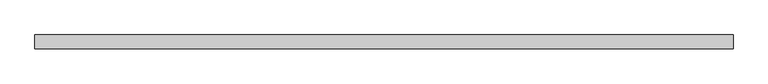
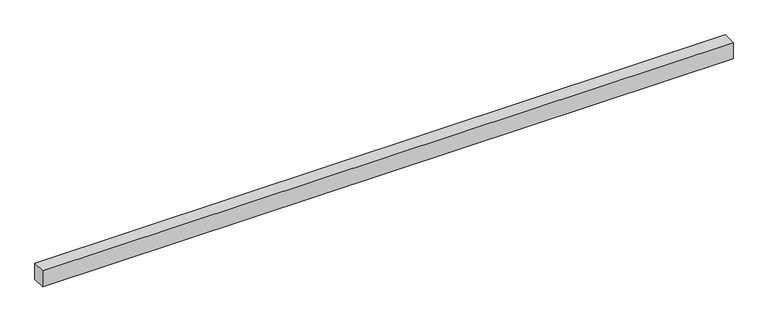
"""IFC4 building model written with IfcOpenShell, lengths in millimetres: proxy geometry."""

from ifc_helpers import new_model, si_unit, frame, origin, place, context, project, spatial, polyline, outline, extrude, source, transform, mapped, element, save


def generic_models_a6b1ccad(model_context):
    return source(origin(), model_context, "Body", "SweptSolid", [
        extrude(outline(polyline([(40.0, 0.0), (-40.0, 0.0), (-40.0, 4080.0), (40.0, 4080.0), (40.0, 0.0)])), frame((4080.0, 0.0, 0.0), z_axis=(0.0, -1.9783474858313244e-12, 1.0), x_axis=(0.0, 1.0, 1.9783474858313244e-12)), (0.0, 0.0, 1.0), 100.0),
    ])


if __name__ == "__main__":
    model = new_model("IFC4")
    model_context = context("Model", 3, world=origin())
    ifc_project = project(units=[si_unit("LENGTHUNIT", "METRE", prefix="MILLI")], contexts=[model_context])
    site = spatial("IfcSite", under=ifc_project)
    building = spatial("IfcBuilding", under=site)
    placement = place(None, origin())
    generic_models_shape = generic_models_a6b1ccad(model_context)
    element("IfcBuildingElementProxy", 1, Name="Generic Models", at=placement, inside=building, context=model_context, shape_type="MappedRepresentation", body=[
        mapped(generic_models_shape, transform((0.0, 0.0, 0.0), x_axis=(1.0, 0.0, 0.0), y_axis=(0.0, 1.0, 0.0), z_axis=(0.0, 0.0, 1.0))),
    ])
    save(model, "model.ifc")
